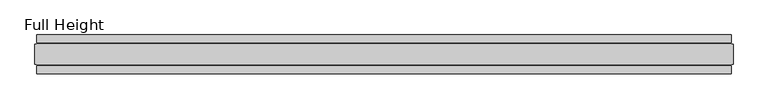
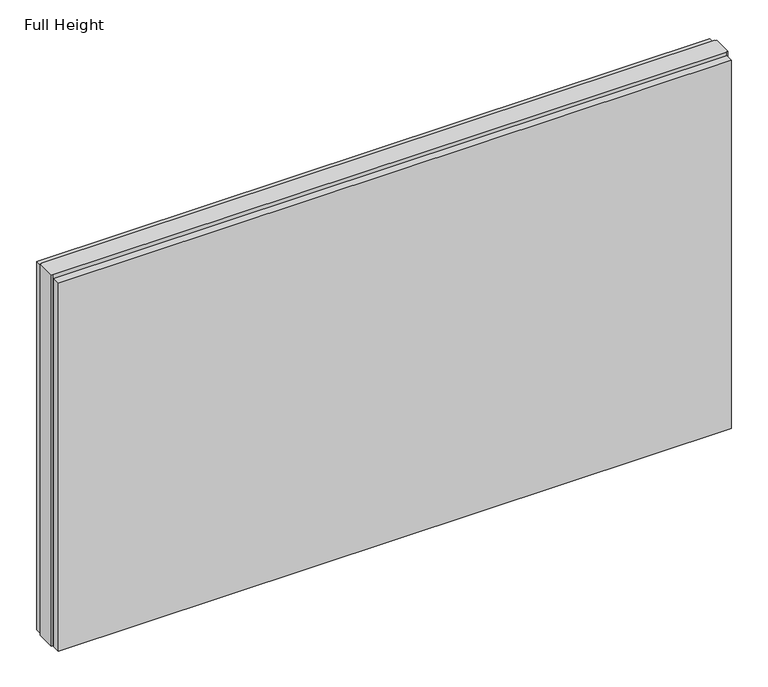
"""IFC4 building model written with IfcOpenShell, lengths in millimetres: plate geometry, Full Height."""

from ifc_helpers import new_model, si_unit, origin, origin_with_axes, place, context, project, spatial, polyline, outline, extrude, source, transform, mapped, element, save


def full_height_77213c21(model_context):
    return source(origin(), model_context, "Body", "SweptSolid", [
        extrude(outline(polyline([(886.0091214, -28.956), (886.0091214, -49.53), (-886.0091214, -49.53), (-886.0091214, -28.956), (886.0091214, -28.956)])), origin_with_axes(), (0.0, 0.0, 1.0), 1025.652),
        extrude(outline(polyline([(886.0091214, 28.956), (-886.0091214, 28.956), (-886.0091214, 49.53), (886.0091214, 49.53), (886.0091214, 28.956)])), origin_with_axes(), (0.0, 0.0, 1.0), 1025.652),
        extrude(outline(polyline([(886.0091214, 25.146), (890.5811214, 25.146), (890.5811214, -25.146), (886.0091214, -25.146), (886.0091214, -26.67), (-886.0091214, -26.67), (-886.0091214, -25.146), (-890.5811214, -25.146), (-890.5811214, 25.146), (-886.0091214, 25.146), (-886.0091214, 26.67), (886.0091214, 26.67), (886.0091214, 25.146)])), origin_with_axes(), (0.0, 0.0, 1.0), 1034.796),
    ])


if __name__ == "__main__":
    model = new_model("IFC4")
    model_context = context("Model", 3, world=origin())
    ifc_project = project(units=[si_unit("LENGTHUNIT", "METRE", prefix="MILLI")], contexts=[model_context])
    site = spatial("IfcSite", under=ifc_project)
    building = spatial("IfcBuilding", under=site)
    placement = place(None, origin())
    full_height_shape = full_height_77213c21(model_context)
    element("IfcPlate", 1, ObjectType="Full Height", at=placement, inside=building, context=model_context, shape_type="MappedRepresentation", body=[
        mapped(full_height_shape, transform((0.0, 0.0, 0.0), x_axis=(1.0, 0.0, 0.0), y_axis=(0.0, 1.0, 0.0), z_axis=(0.0, 0.0, 1.0))),
    ])
    save(model, "model.ifc")
